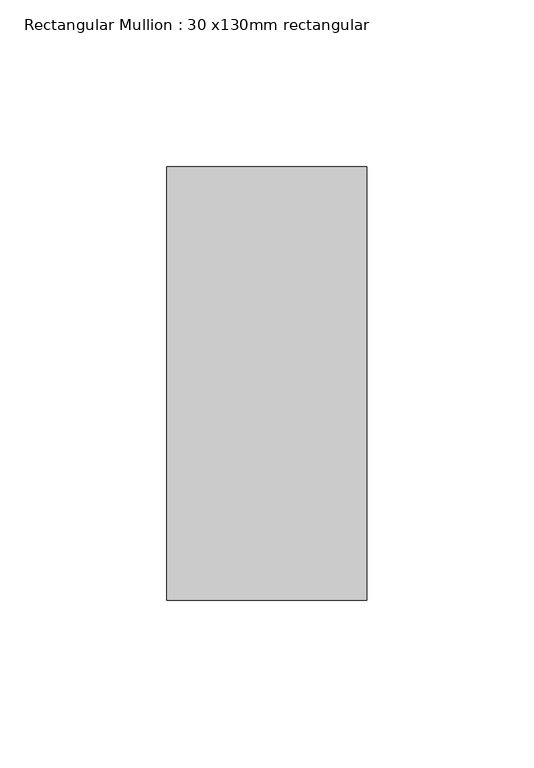
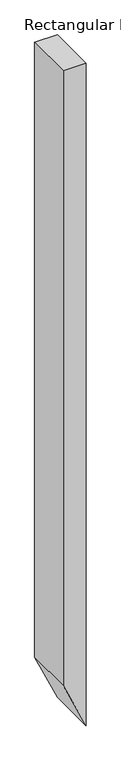
"""IFC4 building model written with IfcOpenShell, lengths in millimetres: member geometry, Rectangular Mullion : 30 x130mm rectangular."""

from ifc_helpers import new_model, si_unit, frame, origin, place, context, project, spatial, polyline, outline, extrude, source, transform, mapped, element, save


def rectangular_mullion_30_x130mm_rectangular_044ee6cd(model_context):
    return source(origin(), model_context, "Body", "SweptSolid", [
        extrude(outline(polyline([(0.0, 0.0), (0.0, -60.0), (-1702.9946104, -60.0), (-1834.328674, 0.0), (0.0, 0.0)])), frame((0.0, -65.0, 0.0), z_axis=(0.0, 1.0, 0.0), x_axis=(0.0, 0.0, 1.0)), (0.0, 0.0, 1.0), 130.0),
    ])


if __name__ == "__main__":
    model = new_model("IFC4")
    model_context = context("Model", 3, world=origin())
    ifc_project = project(units=[si_unit("LENGTHUNIT", "METRE", prefix="MILLI")], contexts=[model_context])
    site = spatial("IfcSite", under=ifc_project)
    building = spatial("IfcBuilding", under=site)
    placement = place(None, origin())
    rectangular_mullion_30_x130mm_rectangular_shape = rectangular_mullion_30_x130mm_rectangular_044ee6cd(model_context)
    element("IfcMember", 1, ObjectType="Rectangular Mullion : 30 x130mm rectangular", at=placement, inside=building, context=model_context, shape_type="MappedRepresentation", body=[
        mapped(rectangular_mullion_30_x130mm_rectangular_shape, transform((0.0, 0.0, 0.0), x_axis=(1.0, 0.0, 0.0), y_axis=(0.0, 1.0, 0.0), z_axis=(0.0, 0.0, 1.0))),
    ])
    save(model, "model.ifc")
